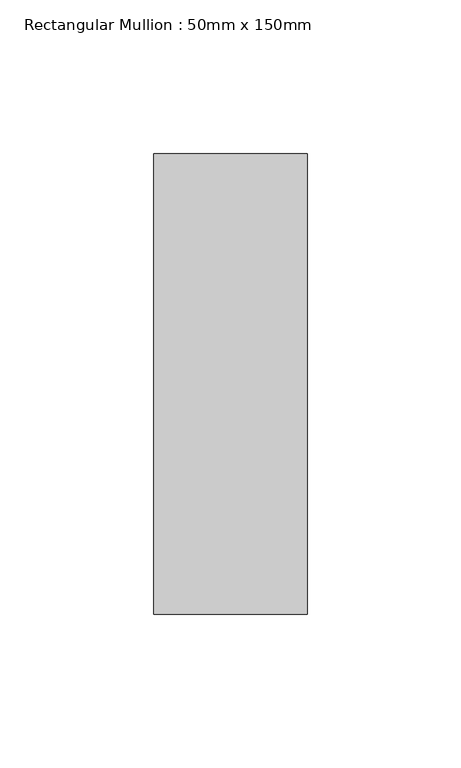
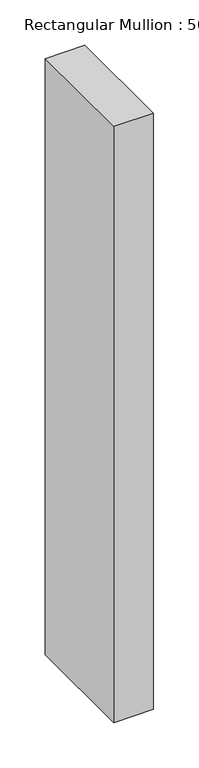
"""IFC4 building model written with IfcOpenShell, lengths in millimetres: member geometry, Rectangular Mullion : 50mm x 150mm."""

from ifc_helpers import new_model, si_unit, frame, origin, place, context, project, spatial, polyline, outline, extrude, source, transform, mapped, element, save


def rectangular_mullion_50mm_x_150mm_6ffebc0f(model_context):
    return source(origin(), model_context, "Body", "SweptSolid", [
        extrude(outline(polyline([(0.0, 75.0), (0.0, -75.0), (-50.0, -75.0), (-50.0, 75.0), (0.0, 75.0)])), frame((0.0, 0.0, -800.0), z_axis=(0.0, 0.0, 1.0), x_axis=(1.0, 0.0, 0.0)), (0.0, 0.0, 1.0), 800.0),
    ])


if __name__ == "__main__":
    model = new_model("IFC4")
    model_context = context("Model", 3, world=origin())
    ifc_project = project(units=[si_unit("LENGTHUNIT", "METRE", prefix="MILLI")], contexts=[model_context])
    site = spatial("IfcSite", under=ifc_project)
    building = spatial("IfcBuilding", under=site)
    placement = place(None, origin())
    rectangular_mullion_50mm_x_150mm_shape = rectangular_mullion_50mm_x_150mm_6ffebc0f(model_context)
    element("IfcMember", 1, ObjectType="Rectangular Mullion : 50mm x 150mm", at=placement, inside=building, context=model_context, shape_type="MappedRepresentation", body=[
        mapped(rectangular_mullion_50mm_x_150mm_shape, transform((0.0, 0.0, 0.0), x_axis=(1.0, 0.0, 0.0), y_axis=(0.0, 1.0, 0.0), z_axis=(0.0, 0.0, 1.0))),
    ])
    save(model, "model.ifc")
